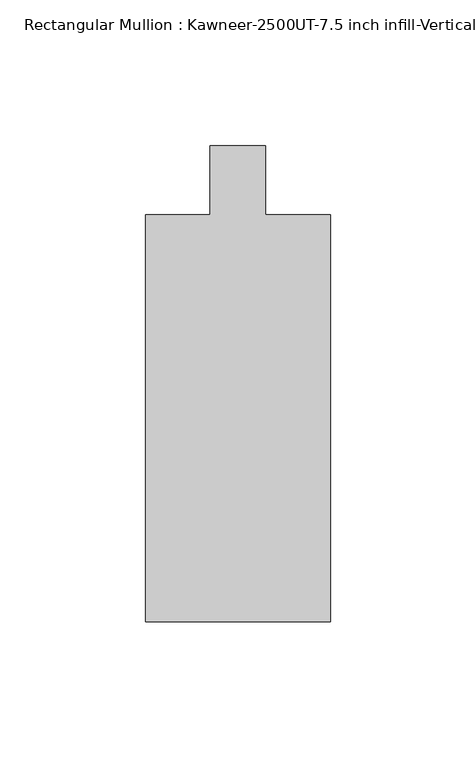
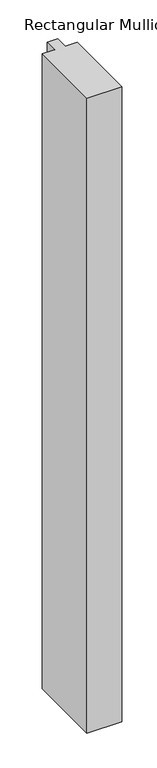
"""IFC4 building model written with IfcOpenShell, lengths in millimetres: member geometry, Rectangular Mullion : Kawneer-2500UT-7.5 inch infill-Vertical 1 inch infill -MODEL."""

from ifc_helpers import new_model, si_unit, frame, origin, place, context, project, spatial, polyline, outline, extrude, source, transform, mapped, element, save


def rectangular_mullion_kawneer_2500ut_7_5_inch_infill_vertical_1988dea1(model_context):
    return source(origin(), model_context, "Body", "SweptSolid", [
        extrude(outline(polyline([(31.750003, -152.399995), (-31.7499909, -152.399995), (-31.7499909, -12.7), (-9.5251102, -12.7), (-9.5251102, 11.0754743), (9.5251162, 11.0754743), (9.5251162, -12.699995), (31.750003, -12.699995), (31.750003, -152.399995)])), frame((0.0, 0.0, -1219.2), z_axis=(0.0, 0.0, 1.0), x_axis=(1.0, 0.0, 0.0)), (0.0, 0.0, 1.0), 1219.2),
    ])


if __name__ == "__main__":
    model = new_model("IFC4")
    model_context = context("Model", 3, world=origin())
    ifc_project = project(units=[si_unit("LENGTHUNIT", "METRE", prefix="MILLI")], contexts=[model_context])
    site = spatial("IfcSite", under=ifc_project)
    building = spatial("IfcBuilding", under=site)
    placement = place(None, origin())
    rectangular_mullion_kawneer_2500ut_7_5_inch_infill_vertical_shape = rectangular_mullion_kawneer_2500ut_7_5_inch_infill_vertical_1988dea1(model_context)
    element("IfcMember", 1, ObjectType="Rectangular Mullion : Kawneer-2500UT-7.5 inch infill-Vertical 1 inch infill -MODEL", at=placement, inside=building, context=model_context, shape_type="MappedRepresentation", body=[
        mapped(rectangular_mullion_kawneer_2500ut_7_5_inch_infill_vertical_shape, transform((0.0, 0.0, 0.0), x_axis=(1.0, 0.0, 0.0), y_axis=(0.0, 1.0, 0.0), z_axis=(0.0, 0.0, 1.0))),
    ])
    save(model, "model.ifc")
